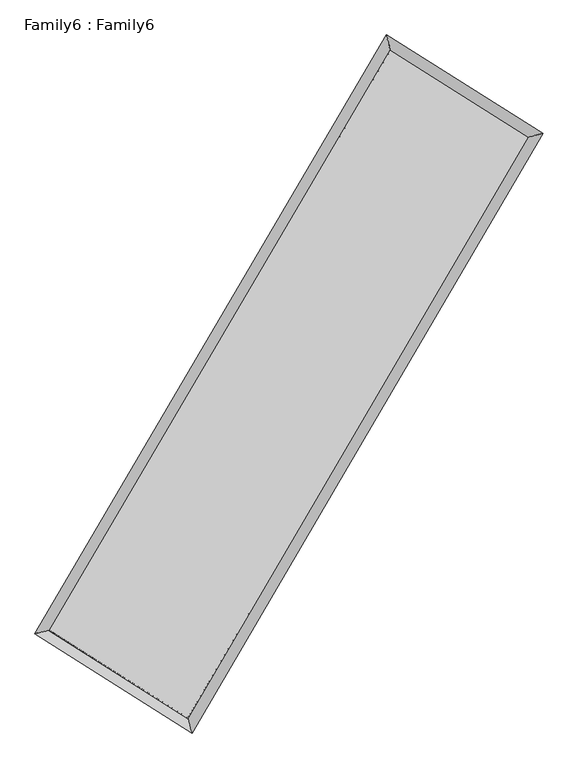
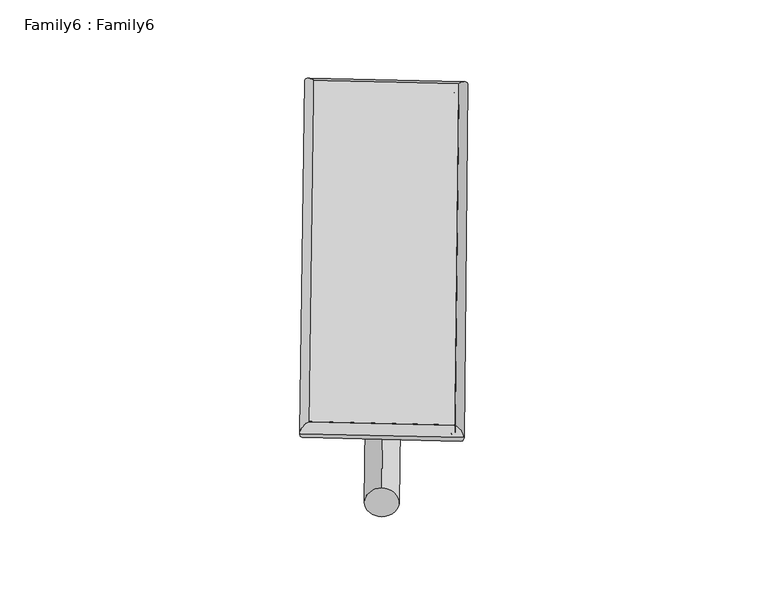
"""IFC4 building model written with IfcOpenShell, lengths in millimetres: plate geometry, Family6 : Family6."""

from ifc_helpers import new_model, si_unit, point, frame, origin, origin_2d, place, context, project, spatial, circle_curve, ellipse_curve, trimmed, segment, composite_curve, outline, extrude, source, transform, mapped, element, save
from ifc_brep_helpers import plane_surface, cylinder_surface, spline_surface, advanced_brep


def family6_family6_26d73916(model_context):
    return source(origin(), model_context, "Body", "SolidModel", [
        extrude(outline(composite_curve([segment(trimmed(circle_curve(origin_2d(), 76.2), [point((-75.4341514, -10.7763074))], [point((75.4341514, 10.7763074))], False, "CARTESIAN"), True, "CONTINUOUS"), segment(trimmed(circle_curve(origin_2d(), 76.2), [point((75.4341514, 10.7763074))], [point((-75.4341514, -10.7763074))], False, "CARTESIAN"), True, "CONTINUOUS")], self_intersect=False)), frame((9144.0, 9144.0, 0.0), z_axis=(0.6709847167551648, 0.6886697185510222, 0.27479725004418676), x_axis=(-0.6807671120391764, 0.7190464668911595, -0.139743756988211)), (0.0, 0.0, 1.0), 5542.9863368),
        extrude(outline(composite_curve([segment(trimmed(circle_curve(origin_2d(), 76.2), [point((-53.8815367, 53.8815367))], [point((53.8815367, -53.8815367))], False, "CARTESIAN"), True, "CONTINUOUS"), segment(trimmed(circle_curve(origin_2d(), 76.2), [point((53.8815367, -53.8815367))], [point((-53.8815367, 53.8815367))], False, "CARTESIAN"), True, "CONTINUOUS")], self_intersect=False)), frame((9144.0, 9144.0, 0.0), z_axis=(-0.6720665689359856, -0.687611876989305, 0.27480253554481127), x_axis=(0.6427880464141281, -0.3574892310133998, 0.6775138205945004)), (0.0, 0.0, 1.0), 5542.9794191),
        extrude(outline(composite_curve([segment(trimmed(circle_curve(origin_2d(), 76.2), [point((-53.8815367, -53.8815367))], [point((53.8815367, 53.8815367))], False, "CARTESIAN"), True, "CONTINUOUS"), segment(trimmed(circle_curve(origin_2d(), 76.2), [point((53.8815367, 53.8815367))], [point((-53.8815367, -53.8815367))], False, "CARTESIAN"), True, "CONTINUOUS")], self_intersect=False)), frame((9144.0, 9144.0, 0.0), z_axis=(0.27758497903747326, 0.9217100446089048, 0.2709191264562472), x_axis=(-0.838945049274666, 0.369971344042176, -0.39911453103733807)), (0.0, 0.0, 1.0), 5617.3079071),
        extrude(outline(composite_curve([segment(trimmed(circle_curve(origin_2d(), 76.2), [point((-75.4341515, 10.7763073))], [point((75.4341515, -10.7763073))], False, "CARTESIAN"), True, "CONTINUOUS"), segment(trimmed(circle_curve(origin_2d(), 76.2), [point((75.4341515, -10.7763073))], [point((-75.4341515, 10.7763073))], False, "CARTESIAN"), True, "CONTINUOUS")], self_intersect=False)), frame((9144.0, 9144.0, 0.0), z_axis=(-0.27640257258652, -0.9221418748702515, 0.27065842029822623), x_axis=(0.8782390477992152, -0.1280013664140236, 0.4607730733418249)), (0.0, 0.0, 1.0), 5623.01974),
        advanced_brep(
        [(5212.6201207, 5282.6681827, 1523.1159016), (5212.620058, 5282.6681031, 1523.3556673), (5624.8775596, 5382.4948523, 1523.333696), (10755.0270187, 14108.8398575, 1521.9856163), (10651.5335766, 14534.2183858, 1521.6866862), (5624.8776222, 5382.4949319, 1523.0939304), (12657.164164, 12910.9728477, 1523.1843717), (13069.3540703, 13011.6008332, 1523.210433), (7537.9999841, 4171.8947672, 1521.9420578), (7641.5657722, 3745.6613019, 1521.8932225)],
        [
            (0, 1, ellipse_curve(frame((5418.7488401, 5332.5815175, 1523.2247988), z_axis=(-0.23534512372375638, 0.9719118295569591, 0.00026135549368577787), x_axis=(-0.9719117308429059, -0.23534522393332497, 0.0004615427607914413)), 212.0859304, 152.4)),
            (1, 2, ellipse_curve(frame((5418.7488401, 5332.5815175, 1523.2247988), z_axis=(-0.23534512372375638, 0.9719118295569591, 0.00026135549368577787), x_axis=(-0.9719117308429059, -0.23534522393332497, 0.0004615427607914413)), 212.0859304, 152.4)),
            (2, 3),
            (3, 4, ellipse_curve(frame((10703.2802976, 14321.5291217, 1521.8361512), z_axis=(-0.9716554556872377, -0.23640133855432943, -0.00028733768974737844), x_axis=(0.2364011932334761, -0.9716554226352201, 0.00046422124105679455)), 218.8937436, 152.4)),
            (4, 0),
            (2, 5, ellipse_curve(frame((5418.7488401, 5332.5815175, 1523.2247988), z_axis=(-0.23534512372375638, 0.9719118295569591, 0.00026135549368577787), x_axis=(-0.9719117308429059, -0.23534522393332497, 0.0004615427607914413)), 212.0859304, 152.4)),
            (5, 0, ellipse_curve(frame((5418.7488401, 5332.5815175, 1523.2247988), z_axis=(-0.23534512372375638, 0.9719118295569591, 0.00026135549368577787), x_axis=(-0.9719117308429059, -0.23534522393332497, 0.0004615427607914413)), 212.0859304, 152.4)),
            (4, 3, ellipse_curve(frame((10703.2802976, 14321.5291217, 1521.8361512), z_axis=(-0.9716554556872377, -0.23640133855432943, -0.00028733768974737844), x_axis=(0.2364011932334761, -0.9716554226352201, 0.00046422124105679455)), 218.8937436, 152.4)),
            (3, 6),
            (6, 7, ellipse_curve(frame((12863.2591172, 12961.2868405, 1523.1974024), z_axis=(-0.23716494544751204, 0.9714693546216707, -0.00028580033780905943), x_axis=(-0.9714692543799233, -0.23716505967308368, -0.00047144965657646483)), 212.1476723, 152.4)),
            (7, 4),
            (7, 6, ellipse_curve(frame((12863.2591172, 12961.2868405, 1523.1974024), z_axis=(-0.23716494544751204, 0.9714693546216707, -0.00028580033780905943), x_axis=(-0.9714692543799233, -0.23716505967308368, -0.00047144965657646483)), 212.1476723, 152.4)),
            (6, 8),
            (8, 9, ellipse_curve(frame((7589.7828782, 3958.7780345, 1521.9176401), z_axis=(0.9717264935150779, 0.23610917942754117, -0.0002778325838053306), x_axis=(-0.236109047254762, 0.9717264661677248, 0.0004390371669823058)), 219.3176144, 152.4)),
            (9, 7),
            (9, 8, ellipse_curve(frame((7589.7828782, 3958.7780345, 1521.9176401), z_axis=(0.9717264935150779, 0.23610917942754117, -0.0002778325838053306), x_axis=(-0.236109047254762, 0.9717264661677248, 0.0004390371669823058)), 219.3176144, 152.4)),
            (8, 5),
            (1, 9),
        ],
        [
            cylinder_surface(frame((5418.7488401, 5332.5815175, 1523.2247988), z_axis=(-0.5068003181496278, -0.8620634662180489, 0.00013317491868416174), x_axis=(-0.8620632241589687, 0.5068000455476079, -0.0008434367707173781)), 152.4),
            cylinder_surface(frame((10703.2802976, 14321.5291217, 1521.8361512), z_axis=(-0.8461875652533937, 0.5328849031665612, -0.0005332801312857338), x_axis=(0.5328851239188017, 0.8461874845513809, -0.00043092302079962216)), 152.4),
            cylinder_surface(frame((12863.2591172, 12961.2868405, 1523.1974024), z_axis=(0.5054443716412294, 0.8628591844157076, 0.00012266076400640338), x_axis=(0.8628591924923583, -0.5054443716412294, -3.32812019861264e-05)), 152.4),
            cylinder_surface(frame((7589.7828782, 3958.7780345, 1521.9176401), z_axis=(0.8450273451197544, -0.534722850774012, -0.0005087828353173086), x_axis=(-0.5347227266178569, -0.8450274974549754, 0.0003663104508681739)), 152.4),
        ],
        [
            (0, [[1, 2, 3, 4, 5]]),
            (0, [[6, 7, -5, 8, -3]]),
            (1, [[-4, 9, 10, 11]]),
            (1, [[-8, -11, 12, -9]]),
            (2, [[-10, 13, 14, 15]]),
            (2, [[-12, -15, 16, -13]]),
            (3, [[-14, 17, -6, -2, 18]]),
            (3, [[-16, -18, -1, -7, -17]]),
        ],
    ),
        extrude(outline(composite_curve([segment(trimmed(circle_curve(origin_2d(), 304.8), [point((0.0, -304.8))], [point((0.0, 304.8))], False, "CARTESIAN"), True, "CONTINUOUS"), segment(trimmed(circle_curve(origin_2d(), 304.8), [point((0.0, 304.8))], [point((0.0, -304.8))], False, "CARTESIAN"), True, "CONTINUOUS")], self_intersect=False)), frame((6497.7379014, 4636.9013295, -3.9e-06), z_axis=(0.50631314749351, 0.8623496951209615, 7.538963642768332e-10), x_axis=(-0.8623496951209615, 0.50631314749351, 2.049602403248574e-10)), (0.0, 0.0, 1.0), 10453.0649132),
        advanced_brep(
        [(5418.7488401, 5332.5815175, 1523.2247988), (7589.7828782, 3958.7780345, 1521.9176401), (7589.7821308, 3958.7793894, 1674.3176401), (5418.7480928, 5332.5828724, 1675.6247988), (12863.2591172, 12961.2868405, 1523.1974024), (12863.2583698, 12961.2881953, 1675.5974024), (10703.2802976, 14321.5291217, 1521.8361512), (10703.2795503, 14321.5304765, 1674.2361512)],
        [
            (0, 1),
            (1, 2),
            (2, 3),
            (3, 0),
            (1, 4),
            (4, 5),
            (5, 2),
            (4, 6),
            (6, 7),
            (7, 5),
            (6, 0),
            (3, 7),
        ],
        [
            plane_surface(frame((6504.2658591, 4645.679776, 1522.5712195), z_axis=(-0.5347229178742995, -0.8450274558119875, 4.890276616159166e-06), x_axis=(0.8450273451197542, -0.534722850774012, -0.0005087828353173085))),
            plane_surface(frame((10226.5209977, 8460.0324375, 1522.5575213), z_axis=(0.862859190333098, -0.5054443763477746, 8.724665604939864e-06), x_axis=(0.5054443716412292, 0.8628591844157075, 0.0001226607640064035))),
            plane_surface(frame((11783.2697074, 13641.4079811, 1522.5167768), z_axis=(0.5328849811485946, 0.8461876841706916, -4.9096038859484795e-06), x_axis=(-0.8461875652533937, 0.5328849031665612, -0.0005332801312857338))),
            plane_surface(frame((8061.0145689, 9827.0553196, 1522.530475), z_axis=(-0.8620634744191714, 0.5068003216219232, -8.732818172113166e-06), x_axis=(-0.5068003181496277, -0.862063466218049, 0.00013317491868416166))),
            spline_surface(1, 1, [[(7589.7821308, 3958.7793894, 1674.3176401), (5418.7480928, 5332.5828724, 1675.6247988)], [(12863.2583698, 12961.2881953, 1675.5974024), (10703.2795503, 14321.5304765, 1674.2361512)]], [2, 2], [2, 2], [0.0, 1.0], [0.0, 1.0]),
            spline_surface(1, 1, [[(10703.2802976, 14321.5291217, 1521.8361512), (5418.7488401, 5332.5815175, 1523.2247988)], [(12863.2591172, 12961.2868405, 1523.1974024), (7589.7828782, 3958.7780345, 1521.9176401)]], [2, 2], [2, 2], [0.0, 1.0], [0.0, 1.0]),
        ],
        [
            (0, [[1, 2, 3, 4]]),
            (1, [[5, 6, 7, -2]]),
            (2, [[8, 9, 10, -6]]),
            (3, [[11, -4, 12, -9]]),
            (4, [[-3, -7, -10, -12]]),
            (5, [[-11, -8, -5, -1]]),
        ],
    ),
    ])


if __name__ == "__main__":
    model = new_model("IFC4")
    model_context = context("Model", 3, world=origin())
    ifc_project = project(units=[si_unit("LENGTHUNIT", "METRE", prefix="MILLI")], contexts=[model_context])
    site = spatial("IfcSite", under=ifc_project)
    building = spatial("IfcBuilding", under=site)
    placement = place(None, origin())
    family6_family6_shape = family6_family6_26d73916(model_context)
    element("IfcPlate", 1, ObjectType="Family6 : Family6", at=placement, inside=building, context=model_context, shape_type="MappedRepresentation", body=[
        mapped(family6_family6_shape, transform((0.0, 0.0, 0.0), x_axis=(1.0, 0.0, 0.0), y_axis=(0.0, 1.0, 0.0), z_axis=(0.0, 0.0, 1.0))),
    ])
    save(model, "model.ifc")
